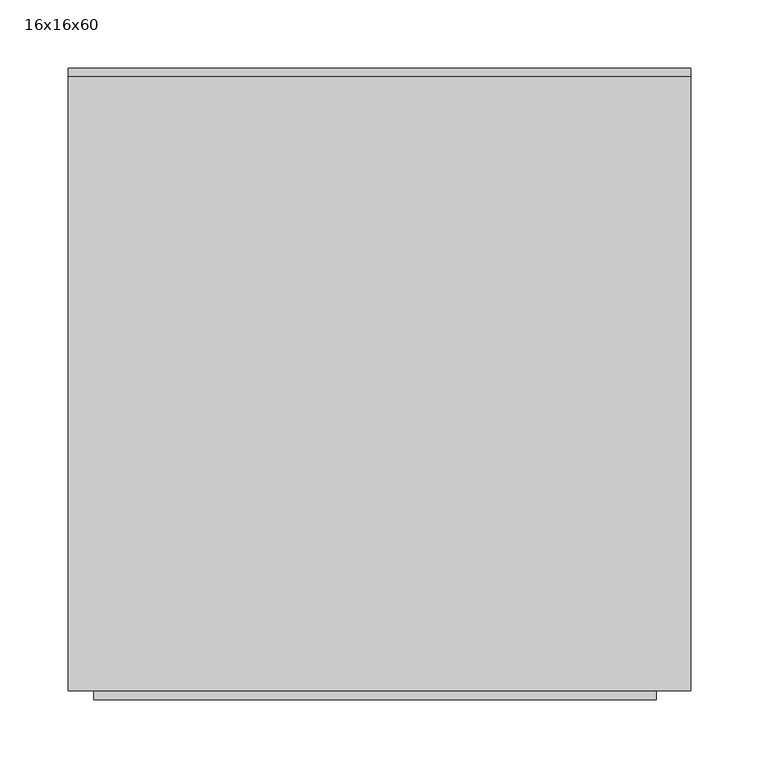
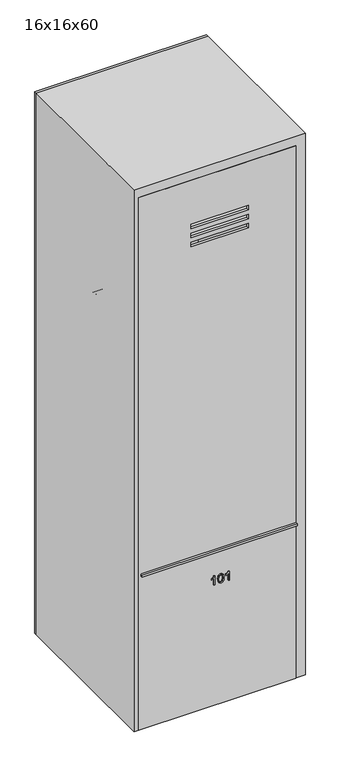
"""IFC4 building model written with IfcOpenShell, lengths in millimetres: furniture geometry, 16x16x60."""

from ifc_helpers import new_model, si_unit, point, frame, frame_2d, origin, origin_with_axes, place, context, project, spatial, polyline, circle_curve, trimmed, segment, composite_curve, outline, extrude, source, transform, mapped, element, save
from ifc_brep_helpers import plane_surface, cylinder_surface, revolved_surface, advanced_brep


def furniture_16x16x60_d666b387(model_context):
    return source(origin(), model_context, "Body", "SolidModel", [
        extrude(outline(polyline([(1498.6, 203.2), (1498.6, -215.9), (0.0, -215.9), (0.0, 203.2), (1498.6, 203.2)]), holes=[polyline([(1375.3615171, 76.2), (1362.6615171, 76.2), (1362.6615171, -76.2), (1375.3615171, -76.2), (1375.3615171, 76.2)]), polyline([(1349.9615171, 76.2), (1337.2615171, 76.2), (1337.2615171, -76.2), (1349.9615171, -76.2), (1349.9615171, 76.2)]), polyline([(1324.5615171, 76.2), (1311.8615171, 76.2), (1311.8615171, -76.2), (1324.5615171, -76.2), (1324.5615171, 76.2)])]), frame((0.0, -304.8, 0.0), z_axis=(0.0, 1.0, 0.0), x_axis=(0.0, 0.0, 1.0)), (0.0, 0.0, 1.0), 6.35),
        extrude(outline(polyline([(1524.0, 228.6), (1524.0, -228.6), (0.0, -228.6), (0.0, 228.6), (1524.0, 228.6)]), holes=[polyline([(76.2, -209.844259), (1498.6, -209.844259), (1498.6, 203.2), (76.2, 203.2), (76.2, -209.844259)])]), frame((0.0, -304.8, 0.0), z_axis=(0.0, 1.0, 0.0), x_axis=(0.0, 0.0, 1.0)), (0.0, 0.0, 1.0), 450.85),
        extrude(outline(polyline([(228.6, 146.05), (-228.6, 146.05), (-228.6, 152.4), (228.6, 152.4), (228.6, 146.05)])), origin_with_axes(), (0.0, 0.0, 1.0), 1524.0),
        extrude(outline(polyline([(340.1012595, -13.8620087), (365.1104902, -13.8620087), (365.1104902, -15.8769126), (361.782846, -18.6580905), (358.8581826, -23.2404703), (355.9029902, -23.2404703), (357.4813316, -19.9494607), (359.5908749, -16.9881626), (340.1012595, -16.9881626), (340.1012595, -13.8620087)])), frame((0.0, -307.975, 0.0), z_axis=(0.0, 1.0, 0.0), x_axis=(0.0, 0.0, 1.0)), (0.0, 0.0, 1.0), 3.175),
        extrude(outline(polyline([(352.4043845, -6.4373933), (342.0917402, -3.9462395), (339.7104902, 1.7687605), (341.0812354, 6.3450345), (345.2392643, 9.0651547), (352.4043845, 9.9749143), (358.2811874, 9.4070778), (361.9812835, 7.9416932), (364.3045287, 5.4200105), (365.1104902, 1.7687605), (363.7489037, -2.7891962), (359.6000335, -5.5184751), (352.4043845, -6.4373933)]), holes=[polyline([(352.4104902, -3.3112395), (360.3113556, -1.7970087), (361.9843364, 1.7321259), (360.0854422, 5.432222), (352.4104902, 6.8487605), (344.6531104, 5.3833759), (342.8366441, 1.7687605), (344.6470047, -1.8458549), (352.4104902, -3.3112395)])]), frame((0.0, -307.975, 0.0), z_axis=(0.0, 1.0, 0.0), x_axis=(0.0, 0.0, 1.0)), (0.0, 0.0, 1.0), 3.175),
        extrude(outline(polyline([(340.1012595, 24.4333759), (365.1104902, 24.4333759), (365.1104902, 22.418472), (361.782846, 19.6372942), (358.8581826, 15.0549143), (355.9029902, 15.0549143), (357.4813316, 18.345924), (359.5908749, 21.307222), (340.1012595, 21.307222), (340.1012595, 24.4333759)])), frame((0.0, -307.975, 0.0), z_axis=(0.0, 1.0, 0.0), x_axis=(0.0, 0.0, 1.0)), (0.0, 0.0, 1.0), 3.175),
        advanced_brep(
        [(-196.85, -57.15, 1105.5799451), (-196.85, -95.25, 1105.5799451), (-203.2, -95.25, 1105.5799451), (-203.2, -57.15, 1105.5799451), (-184.15, -62.3205445, 1105.5799451), (-184.15, -90.0794555, 1105.5799451), (-196.85, -90.0794555, 1105.5799451), (-196.85, -62.3205445, 1105.5799451), (-203.2, -63.5, 1105.5799451), (-203.2, -88.9, 1105.5799451), (-184.15, -88.9, 1105.5799451), (-184.15, -63.5, 1105.5799451)],
        [
            (0, 1, circle_curve(frame((-196.85, -76.2, 1105.5799451), z_axis=(-1.0, 0.0, 0.0), x_axis=(0.0, -1.0, 0.0)), 19.05)),
            (1, 2),
            (2, 3, circle_curve(frame((-203.2, -76.2, 1105.5799451), z_axis=(1.0, 0.0, 0.0), x_axis=(0.0, -1.0, 0.0)), 19.05)),
            (3, 0),
            (4, 5, circle_curve(frame((-184.15, -76.2, 1105.5799451), z_axis=(-1.0, 0.0, 0.0), x_axis=(0.0, -1.0, 0.0)), 13.8794555)),
            (5, 6),
            (6, 7, circle_curve(frame((-196.85, -76.2, 1105.5799451), z_axis=(1.0, 0.0, 0.0), x_axis=(0.0, -1.0, 0.0)), 13.8794555)),
            (7, 4),
            (8, 9, circle_curve(frame((-203.2, -76.2, 1105.5799451), z_axis=(-1.0, 0.0, 0.0), x_axis=(0.0, -1.0, 0.0)), 12.7)),
            (9, 10),
            (10, 11, circle_curve(frame((-184.15, -76.2, 1105.5799451), z_axis=(1.0, 0.0, 0.0), x_axis=(0.0, -1.0, 0.0)), 12.7)),
            (11, 8),
            (2, 3, circle_curve(frame((-203.2, -76.2, 1105.5799451), z_axis=(-1.0, 0.0, 0.0), x_axis=(0.0, 1.0, 0.0)), 19.05)),
            (8, 9, circle_curve(frame((-203.2, -76.2, 1105.5799451), z_axis=(1.0, 0.0, 0.0), x_axis=(0.0, 1.0, 0.0)), 12.7)),
            (1, 0, circle_curve(frame((-196.85, -76.2, 1105.5799451), z_axis=(-1.0, 0.0, 0.0), x_axis=(0.0, 1.0, 0.0)), 19.05)),
            (6, 7, circle_curve(frame((-196.85, -76.2, 1105.5799451), z_axis=(-1.0, 0.0, 0.0), x_axis=(0.0, 1.0, 0.0)), 13.8794555)),
            (5, 4, circle_curve(frame((-184.15, -76.2, 1105.5799451), z_axis=(-1.0, 0.0, 0.0), x_axis=(0.0, 1.0, 0.0)), 13.8794555)),
            (10, 11, circle_curve(frame((-184.15, -76.2, 1105.5799451), z_axis=(-1.0, 0.0, 0.0), x_axis=(0.0, 1.0, 0.0)), 12.7)),
        ],
        [
            cylinder_surface(frame((0.0, -76.2, 1105.5799451), z_axis=(1.0, 0.0, 0.0), x_axis=(0.0, -1.0, 0.0)), 19.05),
            cylinder_surface(frame((0.0, -76.2, 1105.5799451), z_axis=(1.0, 0.0, 0.0), x_axis=(0.0, -1.0, 0.0)), 13.8794555),
            revolved_surface(polyline([(-184.15, -88.9, 1105.5799451), (-203.2, -88.9, 1105.5799451)]), (0.0, -76.2, 1105.5799451), (1.0, 0.0, 0.0)),
            plane_surface(frame((-203.2, -76.2, 1105.5799451), z_axis=(-1.0, 0.0, 0.0), x_axis=(0.0, 1.0, 0.0))),
            cylinder_surface(frame((0.0, -76.2, 1105.5799451), z_axis=(1.0, 0.0, 0.0), x_axis=(0.0, 1.0, 0.0)), 19.05),
            plane_surface(frame((-196.85, -76.2, 1105.5799451), z_axis=(1.0, 0.0, 0.0), x_axis=(0.0, 1.0, 0.0))),
            cylinder_surface(frame((0.0, -76.2, 1105.5799451), z_axis=(1.0, 0.0, 0.0), x_axis=(0.0, 1.0, 0.0)), 13.8794555),
            plane_surface(frame((-184.15, -76.2, 1105.5799451), z_axis=(1.0, 0.0, 0.0), x_axis=(0.0, 1.0, 0.0))),
            revolved_surface(polyline([(-184.15, -63.5, 1105.5799451), (-203.2, -63.5, 1105.5799451)]), (0.0, -76.2, 1105.5799451), (1.0, 0.0, 0.0)),
        ],
        [
            (0, [[1, 2, 3, 4]]),
            (1, [[5, 6, 7, 8]]),
            (2, [[9, 10, 11, 12]]),
            (3, [[13, -3], [14, -9]]),
            (4, [[15, -4, -13, -2]]),
            (5, [[-15, -1], [16, -7]]),
            (6, [[17, -8, -16, -6]]),
            (7, [[-17, -5], [18, -11]]),
            (8, [[-14, -12, -18, -10]]),
        ],
    ),
        advanced_brep(
        [(184.15, -63.5, 1105.5799451), (184.15, -88.9, 1105.5799451), (203.2, -88.9, 1105.5799451), (203.2, -63.5, 1105.5799451), (196.85, -62.3205445, 1105.5799451), (196.85, -90.0794555, 1105.5799451), (184.15, -90.0794555, 1105.5799451), (184.15, -62.3205445, 1105.5799451), (203.2, -57.15, 1105.5799451), (203.2, -95.25, 1105.5799451), (196.85, -95.25, 1105.5799451), (196.85, -57.15, 1105.5799451)],
        [
            (0, 1, circle_curve(frame((184.15, -76.2, 1105.5799451), z_axis=(-1.0, 0.0, 0.0), x_axis=(0.0, -1.0, 0.0)), 12.7)),
            (1, 2),
            (2, 3, circle_curve(frame((203.2, -76.2, 1105.5799451), z_axis=(1.0, 0.0, 0.0), x_axis=(0.0, -1.0, 0.0)), 12.7)),
            (3, 0),
            (4, 5, circle_curve(frame((196.85, -76.2, 1105.5799451), z_axis=(-1.0, 0.0, 0.0), x_axis=(0.0, -1.0, 0.0)), 13.8794555)),
            (5, 6),
            (6, 7, circle_curve(frame((184.15, -76.2, 1105.5799451), z_axis=(1.0, 0.0, 0.0), x_axis=(0.0, -1.0, 0.0)), 13.8794555)),
            (7, 4),
            (8, 9, circle_curve(frame((203.2, -76.2, 1105.5799451), z_axis=(-1.0, 0.0, 0.0), x_axis=(0.0, -1.0, 0.0)), 19.05)),
            (9, 10),
            (10, 11, circle_curve(frame((196.85, -76.2, 1105.5799451), z_axis=(1.0, 0.0, 0.0), x_axis=(0.0, -1.0, 0.0)), 19.05)),
            (11, 8),
            (1, 0, circle_curve(frame((184.15, -76.2, 1105.5799451), z_axis=(-1.0, 0.0, 0.0), x_axis=(0.0, 1.0, 0.0)), 12.7)),
            (3, 2, circle_curve(frame((203.2, -76.2, 1105.5799451), z_axis=(1.0, 0.0, 0.0), x_axis=(0.0, 1.0, 0.0)), 12.7)),
            (6, 7, circle_curve(frame((184.15, -76.2, 1105.5799451), z_axis=(-1.0, 0.0, 0.0), x_axis=(0.0, 1.0, 0.0)), 13.8794555)),
            (5, 4, circle_curve(frame((196.85, -76.2, 1105.5799451), z_axis=(-1.0, 0.0, 0.0), x_axis=(0.0, 1.0, 0.0)), 13.8794555)),
            (10, 11, circle_curve(frame((196.85, -76.2, 1105.5799451), z_axis=(-1.0, 0.0, 0.0), x_axis=(0.0, 1.0, 0.0)), 19.05)),
            (9, 8, circle_curve(frame((203.2, -76.2, 1105.5799451), z_axis=(-1.0, 0.0, 0.0), x_axis=(0.0, 1.0, 0.0)), 19.05)),
        ],
        [
            revolved_surface(polyline([(203.2, -88.9, 1105.5799451), (184.15, -88.9, 1105.5799451)]), (0.0, -76.2, 1105.5799451), (1.0, 0.0, 0.0)),
            cylinder_surface(frame((0.0, -76.2, 1105.5799451), z_axis=(1.0, 0.0, 0.0), x_axis=(0.0, -1.0, 0.0)), 13.8794555),
            cylinder_surface(frame((0.0, -76.2, 1105.5799451), z_axis=(1.0, 0.0, 0.0), x_axis=(0.0, -1.0, 0.0)), 19.05),
            revolved_surface(polyline([(203.2, -63.5, 1105.5799451), (184.15, -63.5, 1105.5799451)]), (0.0, -76.2, 1105.5799451), (1.0, 0.0, 0.0)),
            plane_surface(frame((184.15, -76.2, 1105.5799451), z_axis=(-1.0, 0.0, 0.0), x_axis=(0.0, 1.0, 0.0))),
            cylinder_surface(frame((0.0, -76.2, 1105.5799451), z_axis=(1.0, 0.0, 0.0), x_axis=(0.0, 1.0, 0.0)), 13.8794555),
            plane_surface(frame((196.85, -76.2, 1105.5799451), z_axis=(-1.0, 0.0, 0.0), x_axis=(0.0, 1.0, 0.0))),
            cylinder_surface(frame((0.0, -76.2, 1105.5799451), z_axis=(1.0, 0.0, 0.0), x_axis=(0.0, 1.0, 0.0)), 19.05),
            plane_surface(frame((203.2, -76.2, 1105.5799451), z_axis=(1.0, 0.0, 0.0), x_axis=(0.0, 1.0, 0.0))),
        ],
        [
            (0, [[1, 2, 3, 4]]),
            (1, [[5, 6, 7, 8]]),
            (2, [[9, 10, 11, 12]]),
            (3, [[13, -4, 14, -2]]),
            (4, [[15, -7], [-13, -1]]),
            (5, [[16, -8, -15, -6]]),
            (6, [[17, -11], [-16, -5]]),
            (7, [[18, -12, -17, -10]]),
            (8, [[-18, -9], [-14, -3]]),
        ],
    ),
        extrude(outline(polyline([(203.2, -311.15), (-209.844259, -311.15), (-209.844259, -279.4), (203.2, -279.4), (203.2, -311.15)])), frame((0.0, 0.0, 431.8), z_axis=(0.0, 0.0, 1.0), x_axis=(1.0, 0.0, 0.0)), (0.0, 0.0, 1.0), 6.35),
        extrude(outline(polyline([(203.2, -279.4), (-209.844259, -279.4), (-209.844259, -273.05), (203.2, -273.05), (203.2, -279.4)])), frame((0.0, 0.0, 76.2), z_axis=(0.0, 0.0, 1.0), x_axis=(1.0, 0.0, 0.0)), (0.0, 0.0, 1.0), 361.95),
        extrude(outline(composite_curve([segment(trimmed(circle_curve(frame_2d((-76.2, 1105.5799451)), 12.7), [point((-88.9, 1105.5799451))], [point((-63.5, 1105.5799451))], False, "CARTESIAN"), True, "CONTINUOUS"), segment(trimmed(circle_curve(frame_2d((-76.2, 1105.5799451)), 12.7), [point((-63.5, 1105.5799451))], [point((-88.9, 1105.5799451))], False, "CARTESIAN"), True, "CONTINUOUS")], self_intersect=False)), frame((-209.844259, 0.0, 0.0), z_axis=(1.0, 0.0, 0.0), x_axis=(0.0, 1.0, 0.0)), (0.0, 0.0, 1.0), 413.044259),
        extrude(outline(polyline([(127.0, -298.45), (-215.9, -298.45), (-215.9, 146.05), (127.0, 146.05), (127.0, -298.45)])), frame((0.0, 0.0, 1320.8), z_axis=(0.0, 0.0, 1.0), x_axis=(1.0, 0.0, 0.0)), (0.0, 0.0, 1.0), 6.35),
        extrude(outline(polyline([(203.2, -298.45), (-209.844259, -298.45), (-209.844259, 146.05), (203.2, 146.05), (203.2, -298.45)])), frame((0.0, 0.0, 438.15), z_axis=(0.0, 0.0, 1.0), x_axis=(1.0, 0.0, 0.0)), (0.0, 0.0, 1.0), 19.05),
    ])


if __name__ == "__main__":
    model = new_model("IFC4")
    model_context = context("Model", 3, world=origin())
    ifc_project = project(units=[si_unit("LENGTHUNIT", "METRE", prefix="MILLI")], contexts=[model_context])
    site = spatial("IfcSite", under=ifc_project)
    building = spatial("IfcBuilding", under=site)
    placement = place(None, origin())
    furniture_16x16x60_shape = furniture_16x16x60_d666b387(model_context)
    element("IfcFurniture", 1, ObjectType="16x16x60", at=placement, inside=building, context=model_context, shape_type="MappedRepresentation", body=[
        mapped(furniture_16x16x60_shape, transform((0.0, 0.0, 0.0), x_axis=(1.0, 0.0, 0.0), y_axis=(0.0, 1.0, 0.0), z_axis=(0.0, 0.0, 1.0))),
    ])
    save(model, "model.ifc")
